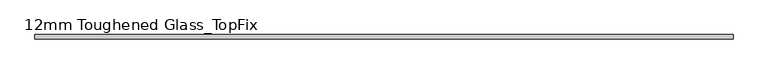
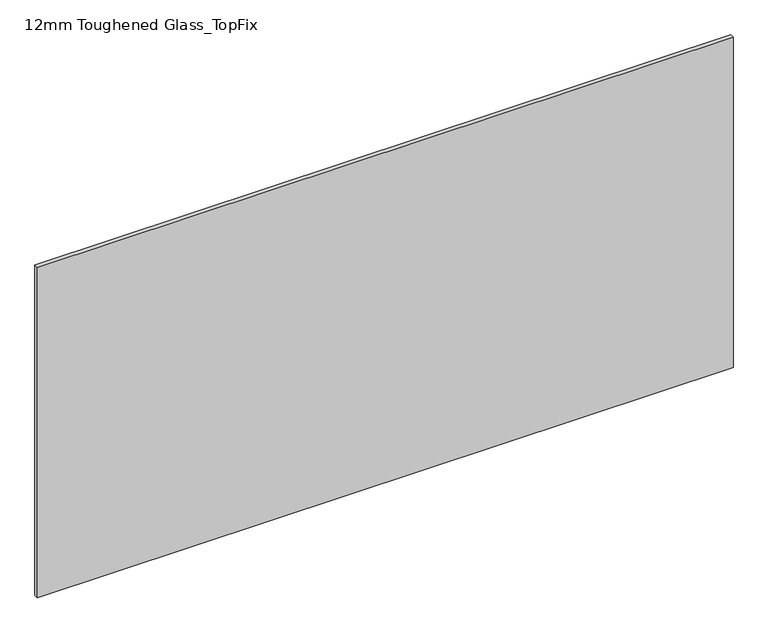
"""IFC4 building model written with IfcOpenShell, lengths in millimetres: plate geometry, 12mm Toughened Glass_TopFix."""

from ifc_helpers import new_model, si_unit, origin, origin_with_axes, place, context, project, spatial, polyline, outline, extrude, source, transform, mapped, element, save


def plate_12mm_toughened_glass_topfix_1a942f3f(model_context):
    return source(origin(), model_context, "Body", "SweptSolid", [
        extrude(outline(polyline([(945.0000001, 6.0), (945.0000001, -6.0), (-945.0000001, -6.0), (-945.0000001, 6.0), (945.0000001, 6.0)])), origin_with_axes(), (0.0, 0.0, 1.0), 949.0),
    ])


if __name__ == "__main__":
    model = new_model("IFC4")
    model_context = context("Model", 3, world=origin())
    ifc_project = project(units=[si_unit("LENGTHUNIT", "METRE", prefix="MILLI")], contexts=[model_context])
    site = spatial("IfcSite", under=ifc_project)
    building = spatial("IfcBuilding", under=site)
    placement = place(None, origin())
    plate_12mm_toughened_glass_topfix_shape = plate_12mm_toughened_glass_topfix_1a942f3f(model_context)
    element("IfcPlate", 1, ObjectType="12mm Toughened Glass_TopFix", at=placement, inside=building, context=model_context, shape_type="MappedRepresentation", body=[
        mapped(plate_12mm_toughened_glass_topfix_shape, transform((0.0, 0.0, 0.0), x_axis=(1.0, 0.0, 0.0), y_axis=(0.0, 1.0, 0.0), z_axis=(0.0, 0.0, 1.0))),
    ])
    save(model, "model.ifc")
